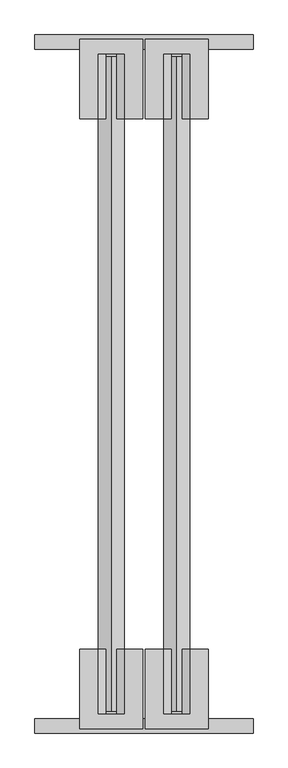
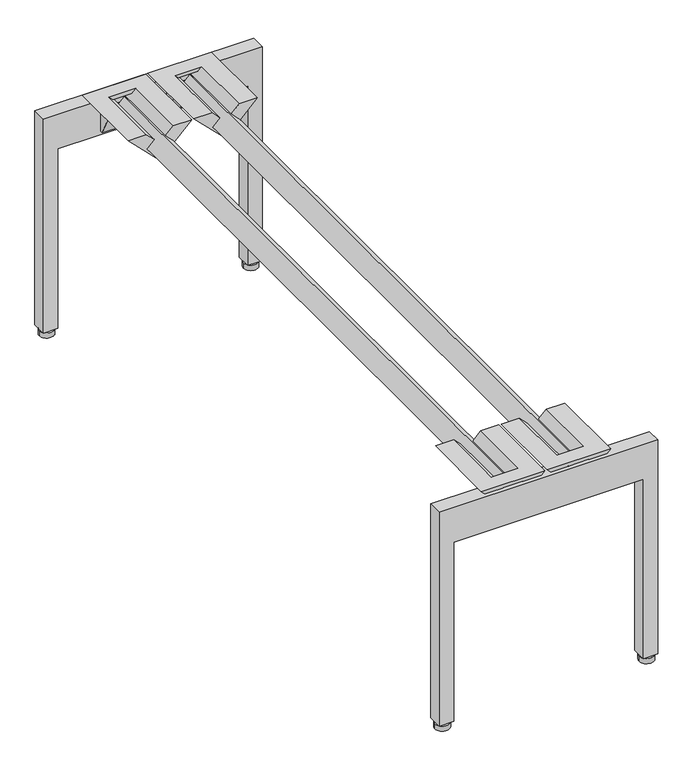
"""IFC4 building model written with IfcOpenShell, lengths in millimetres: furniture geometry."""

from ifc_helpers import new_model, si_unit, point, frame, frame_2d, origin, origin_with_axes, place, context, project, spatial, polyline, circle_curve, trimmed, segment, composite_curve, outline, extrude, faceted_brep, source, transform, mapped, element, save


def furniture_bcbe9455(model_context):
    return source(origin(), model_context, "Body", "SolidModel", [
        extrude(outline(composite_curve([segment(trimmed(circle_curve(frame_2d((368.2999996, -1206.4999999)), 3.9687499), [point((372.2687495, -1206.4999999))], [point((364.3312497, -1206.4999999))], False, "CARTESIAN"), True, "CONTINUOUS"), segment(trimmed(circle_curve(frame_2d((368.2999996, -1206.4999999)), 3.9687499), [point((364.3312497, -1206.4999999))], [point((372.2687495, -1206.4999999))], False, "CARTESIAN"), True, "CONTINUOUS")], self_intersect=False)), frame((0.0, 0.0, 9.525), z_axis=(0.0, 0.0, 1.0), x_axis=(1.0, 0.0, 0.0)), (0.0, 0.0, 1.0), 3.1750004),
        extrude(outline(composite_curve([segment(trimmed(circle_curve(frame_2d((368.2999996, -1206.4999996)), 12.7000004), [point((381.0, -1206.4999996))], [point((355.5999992, -1206.4999996))], False, "CARTESIAN"), True, "CONTINUOUS"), segment(trimmed(circle_curve(frame_2d((368.2999996, -1206.4999996)), 12.7000004), [point((355.5999992, -1206.4999996))], [point((381.0, -1206.4999996))], False, "CARTESIAN"), True, "CONTINUOUS")], self_intersect=False)), origin_with_axes(), (0.0, 0.0, 1.0), 9.525),
        faceted_brep([(192.4050254, -1073.1522285, 412.7499879), (224.1549952, -1073.1522285, 412.7499879), (237.8993597, -1073.1522285, 399.0056233), (225.1993586, -1073.1522285, 386.3056404), (247.6500091, -1073.1522285, 363.8549982), (270.1006464, -1073.1522285, 386.3056355), (257.4006403, -1073.1522285, 399.0056233), (271.1450048, -1073.1522285, 412.7499879), (302.8949746, -1073.1522285, 412.7499879), (247.65, -1073.1522285, 357.5050133), (192.4050254, -1211.5847672, 412.7499879), (247.65, -1211.5847672, 357.5050133), (302.8949746, -1211.5847672, 412.7499879), (257.4006403, -1211.5847672, 399.0056233), (270.1006464, -1211.5847672, 386.3056355), (247.6500091, -1211.5847672, 363.8549982), (225.1993586, -1211.5847672, 386.3056404), (237.8993597, -1211.5847672, 399.0056233), (230.5049709, -1211.5847672, 406.4000121), (264.7950291, -1211.5847672, 406.4000121), (247.65, -1184.7509835, 357.5050133), (214.2753111, -1168.789187, 390.8797022), (214.2753111, -1193.7999992, 390.8797022), (247.65, -1193.7999992, 357.5050133), (280.9503111, -1193.7999992, 390.8053245), (280.9503111, -1168.824759, 390.8053245), (270.1006464, -1193.7999992, 386.3056355), (247.6500091, -1193.7999992, 363.8549982), (247.6500091, -1181.7140364, 363.8549982), (270.1006464, -1170.9767826, 386.3056355), (225.1993586, -1193.7999992, 386.3056404), (225.1993586, -1170.9767803, 386.3056404), (271.1450048, -1186.1822252, 412.7499879), (224.1549952, -1186.1822252, 412.7499879), (264.7950291, -1186.1822252, 406.4000121), (264.7128134, -1168.3999985, 391.6934607), (264.7128134, -1193.7999992, 391.6934607), (230.5871866, -1193.7999992, 391.6934607), (230.5871866, -1168.3999985, 391.6934607), (230.5049709, -1186.1822252, 406.4000121), (280.9503111, -1188.7199995, 349.2061558), (280.9503111, -1193.7999992, 349.2061558), (214.2753111, -1193.7999992, 349.2061558), (214.2753111, -1188.7199995, 349.2061558)], [[[0, 1, 2, 3, 4, 5, 6, 7, 8, 9]], [[10, 11, 12], [13, 14, 15, 16, 17, 18, 19]], [[9, 20, 21, 22, 23, 11, 10, 0]], [[12, 11, 23, 24, 25, 20, 9, 8]], [[14, 26, 27, 15]], [[4, 28, 29, 5]], [[15, 27, 30, 16]], [[3, 31, 28, 4]], [[7, 32, 33, 1, 0, 10, 12, 8]], [[6, 13, 19, 34, 32, 7]], [[5, 29, 35, 36, 26, 14, 13, 6]], [[2, 17, 16, 30, 37, 38, 31, 3]], [[1, 33, 39, 18, 17, 2]], [[40, 25, 24, 41]], [[42, 22, 21, 43]], [[37, 30, 27, 26, 36]], [[41, 24, 23, 22, 42]], [[36, 35, 38, 37]], [[35, 29, 28, 31, 38]], [[43, 21, 20, 25, 40]], [[41, 42, 43, 40]], [[32, 34, 39, 33]], [[18, 39, 34, 19]]]),
        faceted_brep([(78.1050254, -1073.1522285, 412.7499879), (109.8550042, -1073.1522285, 412.7499879), (123.5993597, -1073.1522285, 399.0056233), (110.8993631, -1073.1522285, 386.3056358), (133.3500091, -1073.1522285, 363.8549982), (155.8006464, -1073.1522285, 386.3056355), (143.1006403, -1073.1522285, 399.0056233), (156.8450048, -1073.1522285, 412.7499879), (188.5949746, -1073.1522285, 412.7499879), (133.35, -1073.1522285, 357.5050133), (78.1050254, -1211.5847672, 412.7499879), (133.35, -1211.5847672, 357.5050133), (188.5949746, -1211.5847672, 412.7499879), (143.1006403, -1211.5847672, 399.0056233), (155.8006464, -1211.5847672, 386.3056355), (133.3500091, -1211.5847672, 363.8549982), (110.8993631, -1211.5847672, 386.3056358), (123.5993597, -1211.5847672, 399.0056233), (116.2049758, -1211.5847672, 406.4000121), (150.4950291, -1211.5847672, 406.4000121), (133.35, -1184.7509835, 357.5050133), (99.9753021, -1168.7891827, 390.8797113), (99.9753021, -1193.7999992, 390.8797113), (133.35, -1193.7999992, 357.5050133), (166.6503111, -1193.7999992, 390.8053245), (166.6503111, -1168.824759, 390.8053245), (155.8006464, -1193.7999992, 386.3056355), (133.3500091, -1193.7999992, 363.8549982), (133.3500091, -1181.7140364, 363.8549982), (155.8006464, -1170.9767826, 386.3056355), (110.8993631, -1193.7999992, 386.3056358), (110.8993631, -1170.9767825, 386.3056358), (156.8450048, -1186.1822252, 412.7499879), (109.8550042, -1186.1822252, 412.7499879), (150.4950291, -1186.1822252, 406.4000121), (150.4128134, -1168.3999985, 391.6934607), (150.4128134, -1193.7999992, 391.6934607), (116.2871918, -1193.7999992, 391.6934607), (116.2871918, -1168.3999985, 391.6934607), (116.2049758, -1186.1822252, 406.4000121), (166.6503111, -1188.7199995, 349.2061558), (166.6503111, -1193.7999992, 349.2061558), (99.9753021, -1193.7999992, 349.2061558), (99.9753021, -1188.7199995, 349.2061558)], [[[0, 1, 2, 3, 4, 5, 6, 7, 8, 9]], [[10, 11, 12], [13, 14, 15, 16, 17, 18, 19]], [[9, 20, 21, 22, 23, 11, 10, 0]], [[12, 11, 23, 24, 25, 20, 9, 8]], [[14, 26, 27, 15]], [[4, 28, 29, 5]], [[15, 27, 30, 16]], [[3, 31, 28, 4]], [[7, 32, 33, 1, 0, 10, 12, 8]], [[6, 13, 19, 34, 32, 7]], [[5, 29, 35, 36, 26, 14, 13, 6]], [[2, 17, 16, 30, 37, 38, 31, 3]], [[1, 33, 39, 18, 17, 2]], [[40, 25, 24, 41]], [[42, 22, 21, 43]], [[37, 30, 27, 26, 36]], [[41, 24, 23, 22, 42]], [[36, 35, 38, 37]], [[35, 29, 28, 31, 38]], [[43, 21, 20, 25, 40]], [[41, 42, 43, 40]], [[32, 34, 39, 33]], [[18, 39, 34, 19]]]),
        extrude(outline(polyline([(12.7000004, 0.0), (12.7000004, 25.4000008), (342.9, 25.4000008), (342.9, 355.5999879), (12.7000004, 355.5999879), (12.7000004, 381.0), (406.4000121, 381.0), (406.4000121, 0.0), (12.7000004, 0.0)])), frame((0.0, -1219.2, 0.0), z_axis=(0.0, 1.0, 0.0), x_axis=(0.0, 0.0, 1.0)), (0.0, 0.0, 1.0), 25.4000008),
        extrude(outline(composite_curve([segment(trimmed(circle_curve(frame_2d((12.7000004, -1206.4999999)), 3.9687499), [point((16.6687503, -1206.4999999))], [point((8.7312505, -1206.4999999))], False, "CARTESIAN"), True, "CONTINUOUS"), segment(trimmed(circle_curve(frame_2d((12.7000004, -1206.4999999)), 3.9687499), [point((8.7312505, -1206.4999999))], [point((16.6687503, -1206.4999999))], False, "CARTESIAN"), True, "CONTINUOUS")], self_intersect=False)), frame((0.0, 0.0, 9.525), z_axis=(0.0, 0.0, 1.0), x_axis=(1.0, 0.0, 0.0)), (0.0, 0.0, 1.0), 3.1750004),
        extrude(outline(composite_curve([segment(trimmed(circle_curve(frame_2d((12.7000004, -1206.4999996)), 12.7000004), [point((25.4000008, -1206.4999996))], [point((0.0, -1206.4999996))], False, "CARTESIAN"), True, "CONTINUOUS"), segment(trimmed(circle_curve(frame_2d((12.7000004, -1206.4999996)), 12.7000004), [point((0.0, -1206.4999996))], [point((25.4000008, -1206.4999996))], False, "CARTESIAN"), True, "CONTINUOUS")], self_intersect=False)), origin_with_axes(), (0.0, 0.0, 1.0), 9.525),
        extrude(outline(composite_curve([segment(trimmed(circle_curve(frame_2d((368.2999996, -12.7000001)), 3.9687499), [point((372.2687495, -12.7000001))], [point((364.3312497, -12.7000001))], False, "CARTESIAN"), True, "CONTINUOUS"), segment(trimmed(circle_curve(frame_2d((368.2999996, -12.7000001)), 3.9687499), [point((364.3312497, -12.7000001))], [point((372.2687495, -12.7000001))], False, "CARTESIAN"), True, "CONTINUOUS")], self_intersect=False)), frame((0.0, 0.0, 9.525), z_axis=(0.0, 0.0, 1.0), x_axis=(1.0, 0.0, 0.0)), (0.0, 0.0, 1.0), 3.1750004),
        extrude(outline(composite_curve([segment(trimmed(circle_curve(frame_2d((368.2999996, -12.7000004)), 12.7000004), [point((381.0, -12.7000004))], [point((355.5999992, -12.7000004))], False, "CARTESIAN"), True, "CONTINUOUS"), segment(trimmed(circle_curve(frame_2d((368.2999996, -12.7000004)), 12.7000004), [point((355.5999992, -12.7000004))], [point((381.0, -12.7000004))], False, "CARTESIAN"), True, "CONTINUOUS")], self_intersect=False)), origin_with_axes(), (0.0, 0.0, 1.0), 9.525),
        faceted_brep([(192.4050254, -146.0477715, 412.7499879), (247.65, -146.0477715, 357.5050133), (302.8949746, -146.0477715, 412.7499879), (271.1450048, -146.0477715, 412.7499879), (257.4006403, -146.0477715, 399.0056233), (270.1006464, -146.0477715, 386.3056355), (247.6500091, -146.0477715, 363.8549982), (225.1993586, -146.0477715, 386.3056404), (237.8993597, -146.0477715, 399.0056233), (224.1549952, -146.0477715, 412.7499879), (192.4050254, -7.6152328, 412.7499879), (302.8949746, -7.6152328, 412.7499879), (247.65, -7.6152328, 357.5050133), (257.4006403, -7.6152328, 399.0056233), (264.7950291, -7.6152328, 406.4000121), (230.5049709, -7.6152328, 406.4000121), (237.8993597, -7.6152328, 399.0056233), (225.1993586, -7.6152328, 386.3056404), (247.6500091, -7.6152328, 363.8549982), (270.1006464, -7.6152328, 386.3056355), (247.65, -25.4000008, 357.5050133), (214.2753111, -25.4000008, 390.8797022), (214.2753111, -50.410813, 390.8797022), (247.65, -34.4490165, 357.5050133), (280.9503111, -50.375241, 390.8053245), (280.9503111, -25.4000008, 390.8053245), (270.1006464, -48.2232174, 386.3056355), (247.6500091, -37.4859636, 363.8549982), (247.6500091, -25.4000008, 363.8549982), (270.1006464, -25.4000008, 386.3056355), (225.1993586, -48.2232197, 386.3056404), (225.1993586, -25.4000008, 386.3056404), (224.1549952, -33.0177748, 412.7499879), (271.1450048, -33.0177748, 412.7499879), (264.7950291, -33.0177748, 406.4000121), (264.7128134, -25.4000008, 391.6934607), (264.7128134, -50.8000015, 391.6934607), (230.5871866, -50.8000015, 391.6934607), (230.5871866, -25.4000008, 391.6934607), (230.5049709, -33.0177748, 406.4000121), (280.9503111, -30.4800005, 349.2061558), (280.9503111, -25.4000008, 349.2061558), (214.2753111, -25.4000008, 349.2061558), (214.2753111, -30.4800005, 349.2061558)], [[[0, 1, 2, 3, 4, 5, 6, 7, 8, 9]], [[10, 11, 12], [13, 14, 15, 16, 17, 18, 19]], [[1, 0, 10, 12, 20, 21, 22, 23]], [[11, 2, 1, 23, 24, 25, 20, 12]], [[6, 5, 26, 27]], [[19, 18, 28, 29]], [[7, 6, 27, 30]], [[18, 17, 31, 28]], [[3, 2, 11, 10, 0, 9, 32, 33]], [[4, 3, 33, 34, 14, 13]], [[5, 4, 13, 19, 29, 35, 36, 26]], [[8, 7, 30, 37, 38, 31, 17, 16]], [[9, 8, 16, 15, 39, 32]], [[40, 41, 25, 24]], [[42, 43, 22, 21]], [[41, 42, 21, 20, 25]], [[38, 35, 29, 28, 31]], [[35, 38, 37, 36]], [[36, 37, 30, 27, 26]], [[43, 40, 24, 23, 22]], [[41, 40, 43, 42]], [[33, 32, 39, 34]], [[15, 14, 34, 39]]]),
        faceted_brep([(78.1050254, -146.0477715, 412.7499879), (133.35, -146.0477715, 357.5050133), (188.5949746, -146.0477715, 412.7499879), (156.8450048, -146.0477715, 412.7499879), (143.1006403, -146.0477715, 399.0056233), (155.8006464, -146.0477715, 386.3056355), (133.3500091, -146.0477715, 363.8549982), (110.8993631, -146.0477715, 386.3056358), (123.5993597, -146.0477715, 399.0056233), (109.8550042, -146.0477715, 412.7499879), (78.1050254, -7.6152328, 412.7499879), (188.5949746, -7.6152328, 412.7499879), (133.35, -7.6152328, 357.5050133), (143.1006403, -7.6152328, 399.0056233), (150.4950291, -7.6152328, 406.4000121), (116.2049758, -7.6152328, 406.4000121), (123.5993597, -7.6152328, 399.0056233), (110.8993631, -7.6152328, 386.3056358), (133.3500091, -7.6152328, 363.8549982), (155.8006464, -7.6152328, 386.3056355), (133.35, -25.4000008, 357.5050133), (99.9753021, -25.4000008, 390.8797113), (99.9753021, -50.4108173, 390.8797113), (133.35, -34.4490165, 357.5050133), (166.6503111, -50.375241, 390.8053245), (166.6503111, -25.4000008, 390.8053245), (155.8006464, -48.2232174, 386.3056355), (133.3500091, -37.4859636, 363.8549982), (133.3500091, -25.4000008, 363.8549982), (155.8006464, -25.4000008, 386.3056355), (110.8993631, -48.2232175, 386.3056358), (110.8993631, -25.4000008, 386.3056358), (109.8550042, -33.0177748, 412.7499879), (156.8450048, -33.0177748, 412.7499879), (150.4950291, -33.0177748, 406.4000121), (150.4128134, -25.4000008, 391.6934607), (150.4128134, -50.8000015, 391.6934607), (116.2871918, -50.8000015, 391.6934607), (116.2871918, -25.4000008, 391.6934607), (116.2049758, -33.0177748, 406.4000121), (166.6503111, -30.4800005, 349.2061558), (166.6503111, -25.4000008, 349.2061558), (99.9753021, -25.4000008, 349.2061558), (99.9753021, -30.4800005, 349.2061558)], [[[0, 1, 2, 3, 4, 5, 6, 7, 8, 9]], [[10, 11, 12], [13, 14, 15, 16, 17, 18, 19]], [[1, 0, 10, 12, 20, 21, 22, 23]], [[11, 2, 1, 23, 24, 25, 20, 12]], [[6, 5, 26, 27]], [[19, 18, 28, 29]], [[7, 6, 27, 30]], [[18, 17, 31, 28]], [[3, 2, 11, 10, 0, 9, 32, 33]], [[4, 3, 33, 34, 14, 13]], [[5, 4, 13, 19, 29, 35, 36, 26]], [[8, 7, 30, 37, 38, 31, 17, 16]], [[9, 8, 16, 15, 39, 32]], [[40, 41, 25, 24]], [[42, 43, 22, 21]], [[41, 42, 21, 20, 25]], [[38, 35, 29, 28, 31]], [[35, 38, 37, 36]], [[36, 37, 30, 27, 26]], [[43, 40, 24, 23, 22]], [[41, 40, 43, 42]], [[33, 32, 39, 34]], [[15, 14, 34, 39]]]),
        extrude(outline(polyline([(12.7000004, 0.0), (12.7000004, 25.4000008), (342.9, 25.4000008), (342.9, 355.5999879), (12.7000004, 355.5999879), (12.7000004, 381.0), (406.4000121, 381.0), (406.4000121, 0.0), (12.7000004, 0.0)])), frame((0.0, -25.4000008, 0.0), z_axis=(0.0, 1.0, 0.0), x_axis=(0.0, 0.0, 1.0)), (0.0, 0.0, 1.0), 25.4000008),
        extrude(outline(composite_curve([segment(trimmed(circle_curve(frame_2d((12.7000004, -12.7000001)), 3.9687499), [point((16.6687503, -12.7000001))], [point((8.7312505, -12.7000001))], False, "CARTESIAN"), True, "CONTINUOUS"), segment(trimmed(circle_curve(frame_2d((12.7000004, -12.7000001)), 3.9687499), [point((8.7312505, -12.7000001))], [point((16.6687503, -12.7000001))], False, "CARTESIAN"), True, "CONTINUOUS")], self_intersect=False)), frame((0.0, 0.0, 9.525), z_axis=(0.0, 0.0, 1.0), x_axis=(1.0, 0.0, 0.0)), (0.0, 0.0, 1.0), 3.1750004),
        extrude(outline(composite_curve([segment(trimmed(circle_curve(frame_2d((12.7000004, -12.7000004)), 12.7000004), [point((25.4000008, -12.7000004))], [point((0.0, -12.7000004))], False, "CARTESIAN"), True, "CONTINUOUS"), segment(trimmed(circle_curve(frame_2d((12.7000004, -12.7000004)), 12.7000004), [point((0.0, -12.7000004))], [point((25.4000008, -12.7000004))], False, "CARTESIAN"), True, "CONTINUOUS")], self_intersect=False)), origin_with_axes(), (0.0, 0.0, 1.0), 9.525),
        extrude(outline(polyline([(408.7562532, 133.3499965), (386.3056358, 110.8993631), (363.8549982, 133.3500091), (386.3056355, 155.8006464), (408.7562532, 133.3499965)])), frame((0.0, -1181.2051107, 0.0), z_axis=(0.0, 1.0, 0.0), x_axis=(0.0, 0.0, 1.0)), (0.0, 0.0, 1.0), 1143.1051107),
        extrude(outline(polyline([(363.8549982, 247.6500091), (386.3056355, 270.1006464), (408.7562497, 247.65), (386.3056404, 225.1993586), (363.8549982, 247.6500091)])), frame((0.0, -1181.2051107, 0.0), z_axis=(0.0, 1.0, 0.0), x_axis=(0.0, 0.0, 1.0)), (0.0, 0.0, 1.0), 1143.1051107),
    ])


if __name__ == "__main__":
    model = new_model("IFC4")
    model_context = context("Model", 3, world=origin())
    ifc_project = project(units=[si_unit("LENGTHUNIT", "METRE", prefix="MILLI")], contexts=[model_context])
    site = spatial("IfcSite", under=ifc_project)
    building = spatial("IfcBuilding", under=site)
    placement = place(None, origin())
    furniture_shape = furniture_bcbe9455(model_context)
    element("IfcFurniture", 1, at=placement, inside=building, context=model_context, shape_type="MappedRepresentation", body=[
        mapped(furniture_shape, transform((0.0, 0.0, 0.0), x_axis=(1.0, 0.0, 0.0), y_axis=(0.0, 1.0, 0.0), z_axis=(0.0, 0.0, 1.0))),
    ])
    save(model, "model.ifc")
